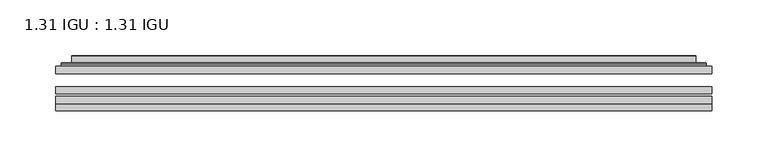
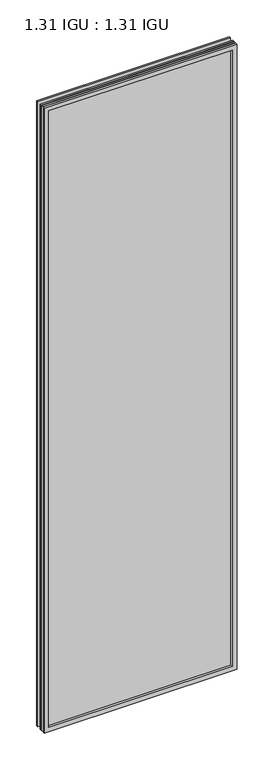
"""IFC4 building model written with IfcOpenShell, lengths in millimetres: plate geometry, 1.31 IGU : 1.31 IGU."""

from ifc_helpers import new_model, si_unit, frame, origin, place, context, project, spatial, polyline, ellipse_curve, outline, extrude, faceted_brep, source, transform, mapped, element, save
from ifc_brep_helpers import plane_surface, cylinder_surface, advanced_brep


def plate_1_31_igu_1_31_igu_7d5a1686(model_context):
    return source(origin(), model_context, "Body", "SolidModel", [
        extrude(outline(polyline([(295.2923663, -63.2975937), (295.2923663, -69.6475938), (-295.2781913, -69.6475938), (-295.2781913, -63.2975937), (295.2923663, -63.2975937)])), frame((0.0, 0.0, -14.2875), z_axis=(0.0, 0.0, 1.0), x_axis=(1.0, 0.0, 0.0)), (0.0, 0.0, 1.0), 2022.4787979),
        extrude(outline(polyline([(-295.2781913, -78.2835938), (-295.2781913, -71.9330887), (295.2923663, -71.9330887), (295.2923663, -78.2835938), (-295.2781913, -78.2835938)])), frame((0.0, 0.0, -14.2875), z_axis=(0.0, 0.0, 1.0), x_axis=(1.0, 0.0, 0.0)), (0.0, 0.0, 1.0), 2022.4787979),
        extrude(outline(polyline([(295.2923663, -44.9587937), (295.2923663, -51.3087938), (-295.2781913, -51.3087938), (-295.2781913, -44.9587937), (295.2923663, -44.9587937)])), frame((0.0, 0.0, -14.2875), z_axis=(0.0, 0.0, 1.0), x_axis=(1.0, 0.0, 0.0)), (0.0, 0.0, 1.0), 2022.4787979),
        faceted_brep([(-295.2908913, -84.6335937, 2008.2002), (-295.2908913, -78.2835937, 2008.2002), (-295.2908913, -78.2835937, -14.3002), (-295.2908913, -84.6335937, -14.3002), (295.2908913, -78.2835937, -14.3002), (295.2908913, -84.6335937, -14.3002), (295.2908913, -78.2835937, 2008.2002), (295.2908913, -84.6335937, 2008.2002), (-280.0929472, -78.2835937, 0.8977441), (280.0929472, -78.2835937, 0.8977441), (280.0929472, -78.2835937, 1993.0022559), (-280.0929472, -78.2835937, 1993.0022559), (-280.9853815, -84.6335937, 1993.8946902), (280.9853815, -84.6335937, 1993.8946902), (280.9853815, -84.6335937, 0.0053098), (-280.9853815, -84.6335937, 0.0053098)], [[[0, 1, 2, 3]], [[3, 2, 4, 5]], [[5, 4, 6, 7]], [[1, 6, 4, 2], [8, 9, 10, 11]], [[7, 6, 1, 0]], [[3, 5, 7, 0], [12, 13, 14, 15]], [[11, 12, 15, 8]], [[8, 15, 14, 9]], [[9, 14, 13, 10]], [[10, 13, 12, 11]]]),
        advanced_brep(
        [(-288.0369104, -44.9587937, 2000.946219), (-290.3911157, -42.9691271, 2003.3004244), (-290.3911157, -42.9691271, -9.4004244), (-288.0369104, -44.9587937, -7.046219), (-278.9625852, -41.1187568, 1991.8718939), (-274.0277534, -44.9587937, 1986.9370621), (-274.0277534, -44.9587937, 6.9629379), (-278.9625852, -41.1187568, 2.0281061), (-279.994613, -35.7215256, 1992.9039217), (-279.994613, -35.7215256, 0.9960783), (-280.9852698, -35.3225507, 1993.8945784), (-280.9852698, -35.3225507, 0.0054216), (-280.9852698, -41.7837937, 1993.8945784), (-280.9852698, -41.7837937, 0.0054216), (-289.3893262, -41.7837937, 2002.2986349), (-289.3893262, -41.7837937, -8.3986349), (290.3911157, -42.9691271, -9.4004244), (288.0369104, -44.9587937, -7.046219), (274.0277534, -44.9587937, 6.9629379), (278.9625852, -41.1187568, 2.0281061), (279.994613, -35.7215256, 0.9960783), (280.9852698, -35.3225507, 0.0054216), (280.9852698, -41.7837937, 0.0054216), (289.3893262, -41.7837937, -8.3986349), (290.3911157, -42.9691271, 2003.3004244), (288.0369104, -44.9587937, 2000.946219), (274.0277534, -44.9587937, 1986.9370621), (278.9625852, -41.1187568, 1991.8718939), (279.994613, -35.7215256, 1992.9039217), (280.9852698, -35.3225507, 1993.8945784), (280.9852698, -41.7837937, 1993.8945784), (289.3893262, -41.7837937, 2002.2986349)],
        [
            (0, 1, ellipse_curve(frame((-288.0369104, -42.5711937, 2000.946219), z_axis=(-0.7071067811865475, 0.0, -0.7071067811865475), x_axis=(-0.7071067811865474, 0.0, 0.7071067811865476)), 3.3765763, 2.3876)),
            (1, 2),
            (2, 3, ellipse_curve(frame((-288.0369104, -42.5711937, -7.046219), z_axis=(-0.7071067811865475, 0.0, 0.7071067811865475), x_axis=(0.7071067811865474, 0.0, 0.7071067811865476)), 3.3765763, 2.3876)),
            (3, 0),
            (4, 5),
            (5, 6),
            (6, 7),
            (7, 4),
            (8, 4),
            (7, 9),
            (9, 8),
            (10, 8, ellipse_curve(frame((-280.6183132, -35.840786, 1993.5276219), z_axis=(-0.7071067811865475, 0.0, -0.7071067811865475), x_axis=(-0.7071067811865474, 0.0, 0.7071067811865476)), 0.8980256, 0.635)),
            (9, 11, ellipse_curve(frame((-280.6183132, -35.840786, 0.3723781), z_axis=(-0.7071067811865475, 0.0, 0.7071067811865475), x_axis=(0.7071067811865474, 0.0, 0.7071067811865476)), 0.8980256, 0.635)),
            (11, 10),
            (12, 10),
            (11, 13),
            (13, 12),
            (1, 14, ellipse_curve(frame((-289.3893262, -42.7997937, 2002.2986349), z_axis=(-0.7071067811865475, 0.0, -0.7071067811865475), x_axis=(-0.7071067811865474, 0.0, 0.7071067811865476)), 1.436841, 1.016)),
            (14, 15),
            (15, 2, ellipse_curve(frame((-289.3893262, -42.7997937, -8.3986349), z_axis=(-0.7071067811865475, 0.0, 0.7071067811865475), x_axis=(0.7071067811865474, 0.0, 0.7071067811865476)), 1.436841, 1.016)),
            (2, 16),
            (16, 17, ellipse_curve(frame((288.0369104, -42.5711937, -7.046219), z_axis=(-0.7071067811865475, 0.0, -0.7071067811865475), x_axis=(-0.7071067811865476, 0.0, 0.7071067811865474)), 3.3765763, 2.3876)),
            (17, 3),
            (6, 18),
            (18, 19),
            (19, 7),
            (19, 20),
            (20, 9),
            (20, 21, ellipse_curve(frame((280.6183132, -35.840786, 0.3723781), z_axis=(-0.7071067811865475, 0.0, -0.7071067811865475), x_axis=(-0.7071067811865476, 0.0, 0.7071067811865474)), 0.8980256, 0.635)),
            (21, 11),
            (21, 22),
            (22, 13),
            (15, 23),
            (23, 16, ellipse_curve(frame((289.3893262, -42.7997937, -8.3986349), z_axis=(-0.7071067811865475, 0.0, -0.7071067811865475), x_axis=(-0.7071067811865476, 0.0, 0.7071067811865474)), 1.436841, 1.016)),
            (16, 24),
            (24, 25, ellipse_curve(frame((288.0369104, -42.5711937, 2000.946219), z_axis=(0.7071067811865475, 0.0, -0.7071067811865475), x_axis=(-0.7071067811865474, 0.0, -0.7071067811865476)), 3.3765763, 2.3876)),
            (25, 17),
            (18, 26),
            (26, 27),
            (27, 19),
            (27, 28),
            (28, 20),
            (28, 29, ellipse_curve(frame((280.6183132, -35.840786, 1993.5276219), z_axis=(0.7071067811865475, 0.0, -0.7071067811865475), x_axis=(-0.7071067811865474, 0.0, -0.7071067811865476)), 0.8980256, 0.635)),
            (29, 21),
            (29, 30),
            (30, 22),
            (23, 31),
            (31, 24, ellipse_curve(frame((289.3893262, -42.7997937, 2002.2986349), z_axis=(0.7071067811865475, 0.0, -0.7071067811865475), x_axis=(-0.7071067811865474, 0.0, -0.7071067811865476)), 1.436841, 1.016)),
            (24, 1),
            (0, 25),
            (5, 26),
            (4, 27),
            (8, 28),
            (10, 29),
            (12, 30),
            (14, 31),
        ],
        [
            cylinder_surface(frame((-288.0369104, -42.5711937, 2025.65), z_axis=(0.0, 0.0, 1.0), x_axis=(-1.0, 0.0, 0.0)), 2.3876),
            plane_surface(frame((-274.0277534, -44.9587937, 1986.9370621), z_axis=(0.6141233906514794, 0.7892100234124821, 0.0), x_axis=(0.0, 0.0, -1.0))),
            plane_surface(frame((-278.9625852, -41.1187568, 1991.8718939), z_axis=(0.9822050625507729, 0.18781164793386074, 0.0), x_axis=(0.0, 0.0, -1.0))),
            cylinder_surface(frame((-280.6183132, -35.840786, 2025.65), z_axis=(0.0, 0.0, 1.0), x_axis=(-1.0, 0.0, 0.0)), 0.635),
            plane_surface(frame((-280.9852698, -35.3225507, 1993.8945784), z_axis=(-1.0, 0.0, 0.0), x_axis=(0.0, 0.0, -1.0))),
            cylinder_surface(frame((-289.3893262, -42.7997937, 2025.65), z_axis=(0.0, 0.0, 1.0), x_axis=(-1.0, 0.0, 0.0)), 1.016),
            cylinder_surface(frame((-312.7406913, -42.5711937, -7.046219), z_axis=(-1.0, 0.0, 0.0), x_axis=(0.0, 0.0, -1.0)), 2.3876),
            plane_surface(frame((-274.0277534, -44.9587937, 6.9629379), z_axis=(0.0, 0.7892100234124841, 0.6141233906514768), x_axis=(1.0, 0.0, 0.0))),
            plane_surface(frame((-278.9625852, -41.1187568, 2.0281061), z_axis=(0.0, 0.18781164793386393, 0.9822050625507723), x_axis=(1.0, 0.0, 0.0))),
            cylinder_surface(frame((-312.7406913, -35.840786, 0.3723781), z_axis=(-1.0, 0.0, 0.0), x_axis=(0.0, 0.0, -1.0)), 0.635),
            plane_surface(frame((-280.9852698, -35.3225507, 0.0054216), z_axis=(0.0, 0.0, -1.0), x_axis=(1.0, 0.0, 0.0))),
            cylinder_surface(frame((-312.7406913, -42.7997937, -8.3986349), z_axis=(-1.0, 0.0, 0.0), x_axis=(0.0, 0.0, -1.0)), 1.016),
            cylinder_surface(frame((288.0369104, -42.5711937, -31.75), z_axis=(0.0, 0.0, -1.0), x_axis=(1.0, 0.0, 0.0)), 2.3876),
            plane_surface(frame((274.0277534, -44.9587937, 6.9629379), z_axis=(-0.6141233906514743, 0.7892100234124861, 0.0), x_axis=(0.0, 0.0, 1.0))),
            plane_surface(frame((278.9625852, -41.1187568, 2.0281061), z_axis=(-0.9822050625507718, 0.18781164793386712, 0.0), x_axis=(0.0, 0.0, 1.0))),
            cylinder_surface(frame((280.6183132, -35.840786, -31.75), z_axis=(0.0, 0.0, -1.0), x_axis=(1.0, 0.0, 0.0)), 0.635),
            plane_surface(frame((280.9852698, -35.3225507, 0.0054216), z_axis=(1.0, 0.0, 0.0), x_axis=(0.0, 0.0, 1.0))),
            cylinder_surface(frame((289.3893262, -42.7997937, -31.75), z_axis=(0.0, 0.0, -1.0), x_axis=(1.0, 0.0, 0.0)), 1.016),
            cylinder_surface(frame((312.7406913, -42.5711937, 2000.946219), z_axis=(1.0, 0.0, 0.0), x_axis=(0.0, 0.0, 1.0)), 2.3876),
            plane_surface(frame((288.0369104, -44.9587937, 2000.946219), z_axis=(0.0, -1.0, 0.0), x_axis=(-1.0, 0.0, 0.0))),
            plane_surface(frame((274.0277534, -44.9587937, 1986.9370621), z_axis=(0.0, 0.7892100234124841, -0.6141233906514768), x_axis=(-1.0, 0.0, 0.0))),
            plane_surface(frame((278.9625852, -41.1187568, 1991.8718939), z_axis=(0.0, 0.18781164793386393, -0.9822050625507723), x_axis=(-1.0, 0.0, 0.0))),
            cylinder_surface(frame((312.7406913, -35.840786, 1993.5276219), z_axis=(1.0, 0.0, 0.0), x_axis=(0.0, 0.0, 1.0)), 0.635),
            plane_surface(frame((280.9852698, -35.3225507, 1993.8945784), z_axis=(0.0, 0.0, 1.0), x_axis=(-1.0, 0.0, 0.0))),
            plane_surface(frame((280.9852698, -41.7837937, 1993.8945784), z_axis=(0.0, 1.0, 0.0), x_axis=(-1.0, 0.0, 0.0))),
            cylinder_surface(frame((312.7406913, -42.7997937, 2002.2986349), z_axis=(1.0, 0.0, 0.0), x_axis=(0.0, 0.0, 1.0)), 1.016),
        ],
        [
            (0, [[1, 2, 3, 4]]),
            (1, [[5, 6, 7, 8]]),
            (2, [[9, -8, 10, 11]]),
            (3, [[12, -11, 13, 14]]),
            (4, [[15, -14, 16, 17]]),
            (5, [[18, 19, 20, -2]]),
            (6, [[-3, 21, 22, 23]]),
            (7, [[-7, 24, 25, 26]]),
            (8, [[-10, -26, 27, 28]]),
            (9, [[-13, -28, 29, 30]]),
            (10, [[-16, -30, 31, 32]]),
            (11, [[-20, 33, 34, -21]]),
            (12, [[-22, 35, 36, 37]]),
            (13, [[-25, 38, 39, 40]]),
            (14, [[-27, -40, 41, 42]]),
            (15, [[-29, -42, 43, 44]]),
            (16, [[-31, -44, 45, 46]]),
            (17, [[-34, 47, 48, -35]]),
            (18, [[-36, 49, -1, 50]]),
            (19, [[-23, -37, -50, -4], [51, -38, -24, -6]]),
            (20, [[-39, -51, -5, 52]]),
            (21, [[-41, -52, -9, 53]]),
            (22, [[-43, -53, -12, 54]]),
            (23, [[-45, -54, -15, 55]]),
            (24, [[56, -47, -33, -19], [-32, -46, -55, -17]]),
            (25, [[-48, -56, -18, -49]]),
        ],
    ),
    ])


if __name__ == "__main__":
    model = new_model("IFC4")
    model_context = context("Model", 3, world=origin())
    ifc_project = project(units=[si_unit("LENGTHUNIT", "METRE", prefix="MILLI")], contexts=[model_context])
    site = spatial("IfcSite", under=ifc_project)
    building = spatial("IfcBuilding", under=site)
    placement = place(None, origin())
    plate_1_31_igu_1_31_igu_shape = plate_1_31_igu_1_31_igu_7d5a1686(model_context)
    element("IfcPlate", 1, ObjectType="1.31 IGU : 1.31 IGU", at=placement, inside=building, context=model_context, shape_type="MappedRepresentation", body=[
        mapped(plate_1_31_igu_1_31_igu_shape, transform((0.0, 0.0, 0.0), x_axis=(1.0, 0.0, 0.0), y_axis=(0.0, 1.0, 0.0), z_axis=(0.0, 0.0, 1.0))),
    ])
    save(model, "model.ifc")
